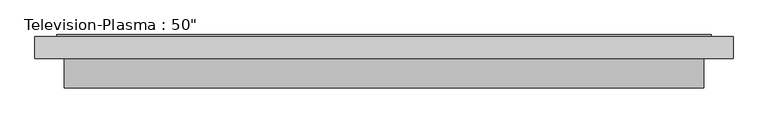
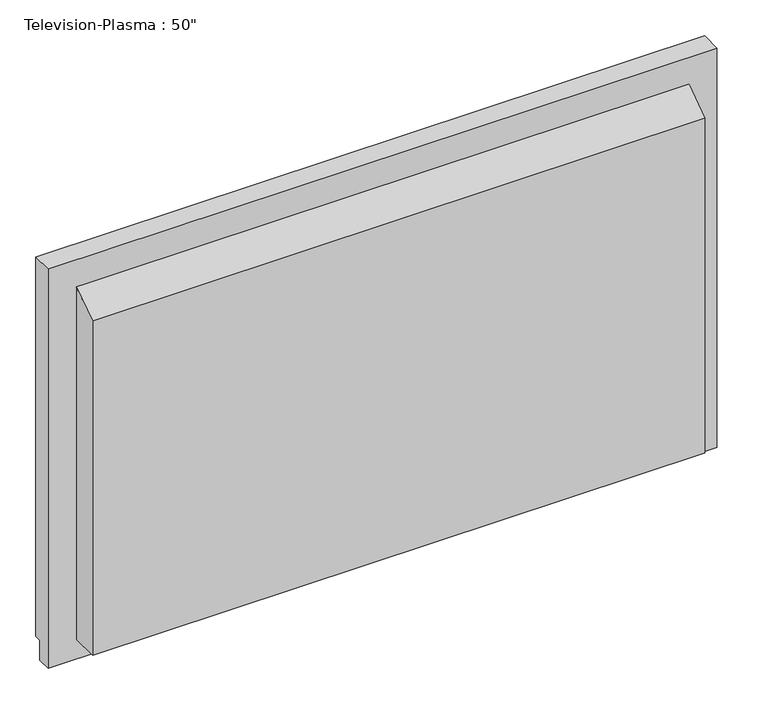
"""IFC4 building model written with IfcOpenShell, lengths in millimetres: furniture geometry."""

from ifc_helpers import new_model, si_unit, frame, origin, place, context, project, spatial, polyline, outline, extrude, faceted_brep, source, transform, mapped, element, save


def furniture_877dcc08(model_context):
    return source(origin(), model_context, "Body", "SolidModel", [
        faceted_brep([(660.4, 50.8, 762.0), (660.4, 88.9, 762.0), (-546.1, 88.9, 762.0), (-546.1, 50.8, 762.0), (-546.1, 50.8, 0.0), (-546.1, 76.2, 0.0), (660.4, 76.2, 0.0), (660.4, 50.8, 0.0), (-546.1, 88.9, 38.1), (-546.1, 76.2, 38.1), (660.4, 88.9, 38.1), (622.3, 88.9, 723.9), (-508.0, 88.9, 723.9), (-508.0, 88.9, 76.2), (622.3, 88.9, 76.2), (660.4, 76.2, 38.1), (622.3, 74.1720413, 723.9), (622.3, 74.1720413, 76.2), (-508.0, 74.1720413, 76.2), (-508.0, 74.1720413, 723.9)], [[[0, 1, 2, 3]], [[4, 5, 6, 7]], [[3, 4, 7, 0]], [[2, 8, 9, 5, 4, 3]], [[1, 10, 8, 2], [11, 12, 13, 14]], [[0, 7, 6, 15, 10, 1]], [[16, 17, 18, 19]], [[16, 11, 14, 17]], [[17, 14, 13, 18]], [[18, 13, 12, 19]], [[19, 12, 11, 16]], [[15, 6, 5, 9]], [[9, 8, 10, 15]]]),
        faceted_brep([(606.425, 88.9, 92.075), (606.425, 88.9, 707.23125), (609.6, 92.075, 710.40625), (609.6, 92.075, 88.9), (609.6, 74.1720413, 88.9), (609.6, 74.1720413, 710.40625), (609.6, 88.9, 710.40625), (609.6, 88.9, 88.9), (622.3, 92.075, 76.2), (622.3, 92.075, 723.10625), (622.3, 74.1720413, 723.10625), (622.3, 74.1720413, 76.2), (-492.125, 88.9, 707.23125), (-495.3, 92.075, 710.40625), (-495.3, 74.1720413, 710.40625), (-495.3, 88.9, 710.40625), (-508.0, 92.075, 723.10625), (-508.0, 74.1720413, 723.10625), (-492.125, 88.9, 92.075), (-495.3, 92.075, 88.9), (-495.3, 74.1720413, 88.9), (-495.3, 88.9, 88.9), (-508.0, 92.075, 76.2), (-508.0, 74.1720413, 76.2)], [[[0, 1, 2, 3]], [[4, 5, 6, 7]], [[8, 9, 10, 11]], [[1, 12, 13, 2]], [[5, 14, 15, 6]], [[9, 16, 17, 10]], [[12, 18, 19, 13]], [[14, 20, 21, 15]], [[16, 22, 23, 17]], [[9, 8, 22, 16], [3, 2, 13, 19]], [[18, 0, 3, 19]], [[7, 6, 15, 21], [1, 0, 18, 12]], [[20, 4, 7, 21]], [[11, 10, 17, 23], [5, 4, 20, 14]], [[22, 8, 11, 23]]]),
        extrude(outline(polyline([(609.6, 88.9), (609.6, 74.1720413), (-495.3, 74.1720413), (-495.3, 88.9), (609.6, 88.9)])), frame((0.0, 0.0, 88.9), z_axis=(0.0, 0.0, 1.0), x_axis=(1.0, 0.0, 0.0)), (0.0, 0.0, 1.0), 622.3),
        extrude(outline(polyline([(0.0, 676.4688953), (50.8, 711.2), (50.8, 38.1), (0.0, 38.1), (0.0, 676.4688953)])), frame((-495.3, 0.0, 0.0), z_axis=(1.0, 0.0, 0.0), x_axis=(0.0, 1.0, 0.0)), (0.0, 0.0, 1.0), 1104.9),
    ])


if __name__ == "__main__":
    model = new_model("IFC4")
    model_context = context("Model", 3, world=origin())
    ifc_project = project(units=[si_unit("LENGTHUNIT", "METRE", prefix="MILLI")], contexts=[model_context])
    site = spatial("IfcSite", under=ifc_project)
    building = spatial("IfcBuilding", under=site)
    placement = place(None, origin())
    furniture_shape = furniture_877dcc08(model_context)
    element("IfcFurniture", 1, ObjectType="Television-Plasma : 50\"", at=placement, inside=building, context=model_context, shape_type="MappedRepresentation", body=[
        mapped(furniture_shape, transform((0.0, 0.0, 0.0), x_axis=(1.0, 0.0, 0.0), y_axis=(0.0, 1.0, 0.0), z_axis=(0.0, 0.0, 1.0))),
    ])
    save(model, "model.ifc")
